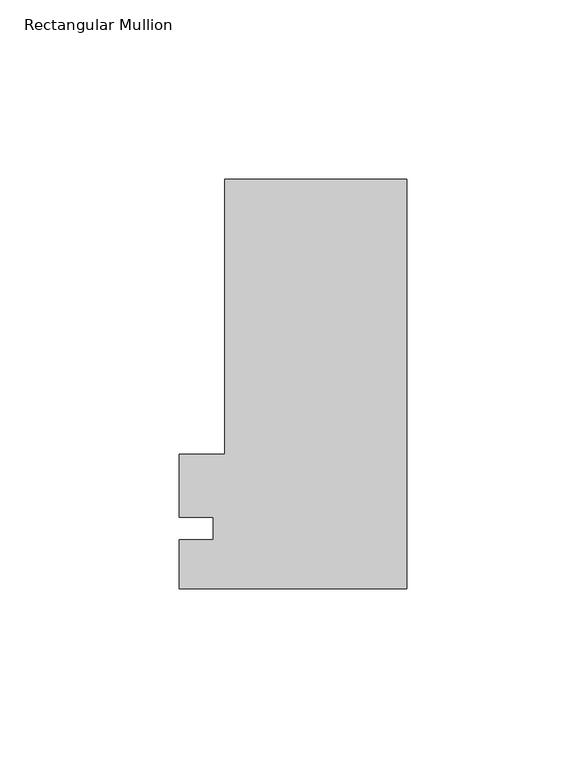
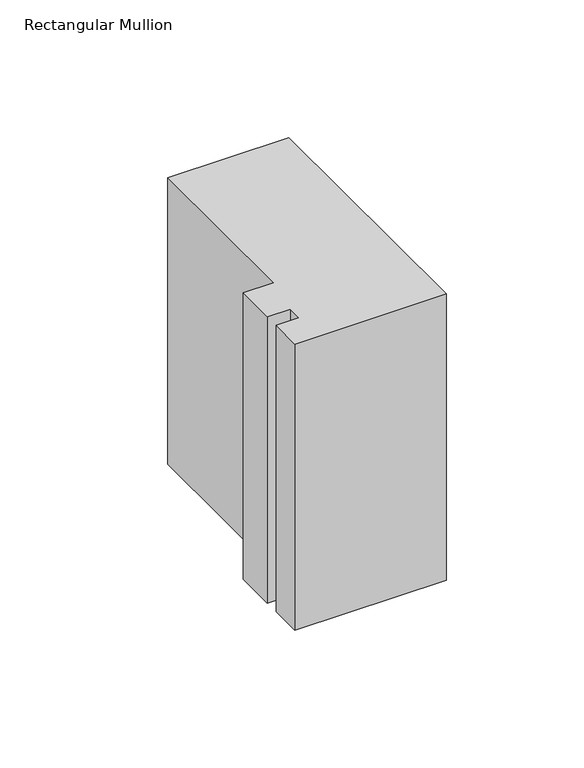
"""IFC4 building model written with IfcOpenShell, lengths in millimetres: member geometry, Rectangular Mullion."""

from ifc_helpers import new_model, si_unit, frame, origin, place, context, project, spatial, polyline, outline, extrude, source, transform, mapped, element, save


def rectangular_mullion_bb8ab18b(model_context):
    return source(origin(), model_context, "Body", "SweptSolid", [
        extrude(outline(polyline([(-50.8, 100.6935375), (0.0, 100.6935375), (0.0, -13.6064625), (-63.4999959, -13.6064625), (-63.4999959, 0.0460375), (-53.9749959, 0.0460375), (-53.9749959, 6.3604386), (-63.4999959, 6.3604386), (-63.4999959, 23.8585375), (-50.8, 23.8585375), (-50.8, 100.6935375)])), frame((0.0, 0.0, -127.0000041), z_axis=(0.0, 0.0, 1.0), x_axis=(1.0, 0.0, 0.0)), (0.0, 0.0, 1.0), 127.0000041),
    ])


if __name__ == "__main__":
    model = new_model("IFC4")
    model_context = context("Model", 3, world=origin())
    ifc_project = project(units=[si_unit("LENGTHUNIT", "METRE", prefix="MILLI")], contexts=[model_context])
    site = spatial("IfcSite", under=ifc_project)
    building = spatial("IfcBuilding", under=site)
    placement = place(None, origin())
    rectangular_mullion_shape = rectangular_mullion_bb8ab18b(model_context)
    element("IfcMember", 1, ObjectType="Rectangular Mullion", at=placement, inside=building, context=model_context, shape_type="MappedRepresentation", body=[
        mapped(rectangular_mullion_shape, transform((0.0, 0.0, 0.0), x_axis=(1.0, 0.0, 0.0), y_axis=(0.0, 1.0, 0.0), z_axis=(0.0, 0.0, 1.0))),
    ])
    save(model, "model.ifc")
